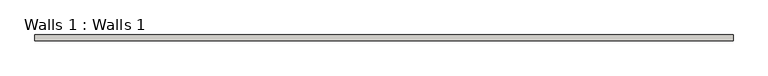
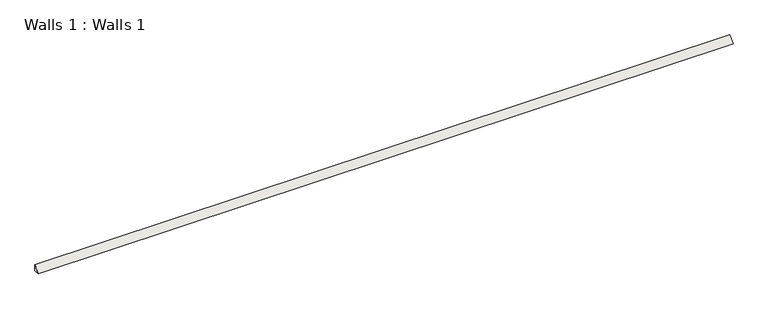
"""IFC4 building model written with IfcOpenShell, lengths in millimetres: wall geometry, Walls 1 : Walls 1."""

import ifcopenshell
import ifcopenshell.guid

model = None  # the IFC model being written
_history = None  # IfcOwnerHistory: only IFC2X3 demands one
_inside = {}  # id of a spatial element -> (the spatial element, [elements in it])
_under = {}  # id of a project, library or spatial element -> (it, [spatial elements below it])
_declared = {}  # id of a project -> (the project, [libraries it declares])
_typed = {}  # id of a type object -> (the type object, [elements of that type])
_made_of = {}  # id of a material, layer set ... -> (it, [elements and type objects made of it])


def new_model(schema):
    """Start an empty IFC model of exactly this schema.

    Asked for "IFC4X3", IfcOpenShell would pick the latest addendum, in which some entities
    have other attributes; the version numbers below select the first issue.
    IFC2X3 requires an IfcOwnerHistory on every rooted entity: one is made here for all.
    """
    global model, _history
    if schema == "IFC4X3":
        model = ifcopenshell.file(schema_version=(4, 3, 0, 0))
    else:
        model = ifcopenshell.file(schema=schema)
    _inside.clear()
    _under.clear()
    _declared.clear()
    _typed.clear()
    _made_of.clear()
    _history = None
    if model.schema == "IFC2X3":
        org = make("IfcOrganization", Name="unknown")
        user = make(
            "IfcPersonAndOrganization",
            ThePerson=make("IfcPerson", FamilyName="unknown"),
            TheOrganization=org,
        )
        app = make(
            "IfcApplication",
            ApplicationDeveloper=org,
            Version="unknown",
            ApplicationFullName="unknown",
            ApplicationIdentifier="unknown",
        )
        _history = make(
            "IfcOwnerHistory",
            OwningUser=user,
            OwningApplication=app,
            ChangeAction="ADDED",
            CreationDate=0,
        )
    return model


def make(cls, **values):
    """One entity of the class cls with the attributes given. An attribute that is None is left unset."""
    return model.create_entity(
        cls, **{name: value for name, value in values.items() if value is not None}
    )


def rooted(cls, **values):
    """An entity with a GlobalId (a new one), such as an element, a storey or a relation."""
    return make(cls, GlobalId=ifcopenshell.guid.new(), OwnerHistory=_history, **values)


def si_unit(unit_type, name, prefix=None):
    """IfcSIUnit, for example si_unit("LENGTHUNIT", "METRE", prefix="MILLI")."""
    return make("IfcSIUnit", UnitType=unit_type, Prefix=prefix, Name=name)


def assignment(units):
    """IfcUnitAssignment: the units of a project."""
    return None if units is None else make("IfcUnitAssignment", Units=units)


def point(xyz):
    """IfcCartesianPoint."""
    return None if xyz is None else make("IfcCartesianPoint", Coordinates=xyz)


def direction(xyz):
    """IfcDirection."""
    return None if xyz is None else make("IfcDirection", DirectionRatios=xyz)


def frame(location, z_axis=None, x_axis=None):
    """IfcAxis2Placement3D, a coordinate frame: its origin and axes. An axis left out is left unset."""
    return make(
        "IfcAxis2Placement3D",
        Location=point(location),
        Axis=direction(z_axis),
        RefDirection=direction(x_axis),
    )


def origin():
    """The frame at (0, 0, 0) with its axes left unset."""
    return frame((0.0, 0.0, 0.0))


def place(relative_to, where):
    """IfcLocalPlacement: puts the frame where relative to a parent placement (None: the world)."""
    return make(
        "IfcLocalPlacement", PlacementRelTo=relative_to, RelativePlacement=where
    )


def context(
    kind, dimensions, precision=None, world=None, true_north=None, identifier=None
):
    """IfcGeometricRepresentationContext, for example the 3D "Model" context."""
    return make(
        "IfcGeometricRepresentationContext",
        ContextIdentifier=identifier,
        ContextType=kind,
        CoordinateSpaceDimension=dimensions,
        Precision=precision,
        WorldCoordinateSystem=world,
        TrueNorth=true_north,
    )


def project(units=None, contexts=None):
    """IfcProject with its units and contexts."""
    return rooted(
        "IfcProject",
        Name="project",
        RepresentationContexts=contexts,
        UnitsInContext=assignment(units),
    )


def spatial(cls, under=None, at=None, **own):
    """A site, building, storey or space (cls), placed at a placement, below another one or the project."""
    s = rooted(cls, ObjectPlacement=at, **own)
    if under is not None:
        _under.setdefault(under.id(), (under, []))[1].append(s)
    return s


def polyline(points):
    """IfcPolyline through the points."""
    return make("IfcPolyline", Points=[point(p) for p in points])


def outline(outer, holes=None, kind="AREA"):
    """IfcArbitraryClosedProfileDef: a profile drawn as a closed curve; with holes, ...WithVoids."""
    if holes is None:
        return make("IfcArbitraryClosedProfileDef", ProfileType=kind, OuterCurve=outer)
    return make(
        "IfcArbitraryProfileDefWithVoids",
        ProfileType=kind,
        OuterCurve=outer,
        InnerCurves=holes,
    )


def extrude(swept, where, along, depth):
    """IfcExtrudedAreaSolid: the profile swept, set in the frame where, extruded along a direction by depth."""
    return make(
        "IfcExtrudedAreaSolid",
        SweptArea=swept,
        Position=where,
        ExtrudedDirection=direction(along),
        Depth=depth,
    )


def shape(context_of_items, identifier, shape_type, items):
    """IfcShapeRepresentation: the items that make up one representation, for example the "Body"."""
    return make(
        "IfcShapeRepresentation",
        ContextOfItems=context_of_items,
        RepresentationIdentifier=identifier,
        RepresentationType=shape_type,
        Items=items,
    )


def source(mapping_origin, context_of_items, identifier, shape_type, items):
    """IfcRepresentationMap: a shape defined once, which mapped items show again and again."""
    return make(
        "IfcRepresentationMap",
        MappingOrigin=mapping_origin,
        MappedRepresentation=shape(context_of_items, identifier, shape_type, items),
    )


def transform(
    local_origin,
    x_axis=None,
    y_axis=None,
    z_axis=None,
    scale=None,
    scale2=None,
    scale3=None,
    uniform=True,
):
    """IfcCartesianTransformationOperator3D, or its non-uniform kind. x_axis, y_axis, z_axis: its Axis1, 2, 3."""
    if uniform:
        return make(
            "IfcCartesianTransformationOperator3D",
            Axis1=direction(x_axis),
            Axis2=direction(y_axis),
            LocalOrigin=point(local_origin),
            Scale=scale,
            Axis3=direction(z_axis),
        )
    return make(
        "IfcCartesianTransformationOperator3DnonUniform",
        Axis1=direction(x_axis),
        Axis2=direction(y_axis),
        LocalOrigin=point(local_origin),
        Scale=scale,
        Axis3=direction(z_axis),
        Scale2=scale2,
        Scale3=scale3,
    )


def mapped(mapping_source, mapping_target):
    """IfcMappedItem: shows the shape of a source again, moved by a transform."""
    return make(
        "IfcMappedItem", MappingSource=mapping_source, MappingTarget=mapping_target
    )


def made_of(thing, what):
    """Note that an element or type object is made of a material, layer set ...; save() writes the relation."""
    if what is not None:
        _made_of.setdefault(what.id(), (what, []))[1].append(thing)
    return thing


def element(
    cls,
    number,
    at=None,
    inside=None,
    cuts=None,
    type_object=None,
    material=None,
    context=None,
    identifier="Body",
    shape_type=None,
    held_by="IfcProductDefinitionShape",
    body=None,
    shapes=None,
    **own,
):
    """One element of the class cls, such as IfcWall. Its Tag is "e" and its number.

    at: its placement. inside: the storey or other place that contains it. cuts: it is an
    opening in that element (IfcRelVoidsElement). A single representation is given by context,
    identifier, shape_type and body (its items); several are given by shapes. held_by: the class
    of the entity that holds the representations. save() writes the other relations.
    """
    e = rooted(cls, Tag="e%d" % number, ObjectPlacement=at, **own)
    if body is not None:
        shapes = [shape(context, identifier, shape_type, body)]
    if shapes is not None:
        e.Representation = make(held_by, Representations=shapes)
    if inside is not None:
        _inside.setdefault(inside.id(), (inside, []))[1].append(e)
    if cuts is not None:
        rooted(
            "IfcRelVoidsElement", RelatingBuildingElement=cuts, RelatedOpeningElement=e
        )
    if type_object is not None:
        _typed.setdefault(type_object.id(), (type_object, []))[1].append(e)
    return made_of(e, material)


def aggregate(whole, parts):
    """IfcRelAggregates: a whole, such as a stair, and the parts it consists of."""
    return rooted("IfcRelAggregates", RelatingObject=whole, RelatedObjects=parts)


def save(model, path):
    """Write the relations noted so far, then the file.

    IfcRelAggregates (storeys below a building ...), IfcRelContainedInSpatialStructure (elements
    in a storey), IfcRelDefinesByType, IfcRelAssociatesMaterial and IfcRelDeclares: one each for
    every whole, place, type object, material and project.
    """
    for whole, parts in _under.values():
        aggregate(whole, parts)
    for where, things in _inside.values():
        rooted(
            "IfcRelContainedInSpatialStructure",
            RelatedElements=things,
            RelatingStructure=where,
        )
    for kind, things in _typed.values():
        rooted("IfcRelDefinesByType", RelatedObjects=things, RelatingType=kind)
    for what, things in _made_of.values():
        rooted("IfcRelAssociatesMaterial", RelatedObjects=things, RelatingMaterial=what)
    for by, libraries in _declared.values():
        rooted("IfcRelDeclares", RelatingContext=by, RelatedDefinitions=libraries)
    model.write(path)


def walls_1_walls_1_65f8a64b(model_context):
    return source(origin(), model_context, "Body", "SweptSolid", [
        extrude(outline(polyline([(6841.4768854, 19.05), (6841.4768854, 0.0), (6822.4268854, 0.0), (6841.4768854, 19.05)])), frame((-3266.8176763, 0.0, 0.0), z_axis=(1.0, 0.0, 0.0), x_axis=(0.0, 1.0, 0.0)), (0.0, 0.0, 1.0), 2260.6),
    ])


if __name__ == "__main__":
    model = new_model("IFC4")
    model_context = context("Model", 3, world=origin())
    ifc_project = project(units=[si_unit("LENGTHUNIT", "METRE", prefix="MILLI")], contexts=[model_context])
    site = spatial("IfcSite", under=ifc_project)
    building = spatial("IfcBuilding", under=site)
    placement = place(None, origin())
    walls_1_walls_1_shape = walls_1_walls_1_65f8a64b(model_context)
    element("IfcWall", 1, ObjectType="Walls 1 : Walls 1", at=placement, inside=building, context=model_context, shape_type="MappedRepresentation", body=[
        mapped(walls_1_walls_1_shape, transform((0.0, 0.0, 0.0), x_axis=(1.0, 0.0, 0.0), y_axis=(0.0, 1.0, 0.0), z_axis=(0.0, 0.0, 1.0))),
    ])
    save(model, "model.ifc")
